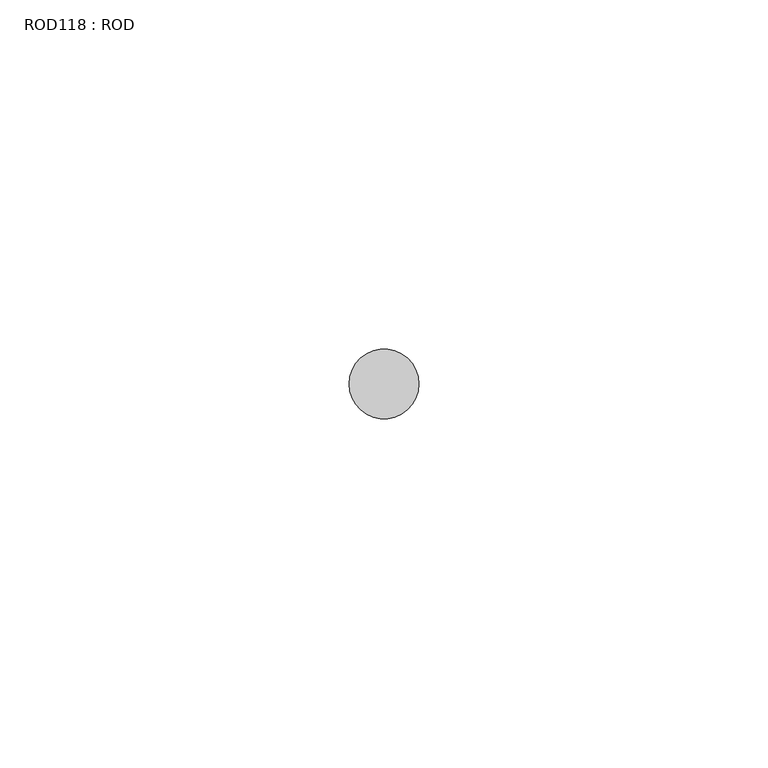
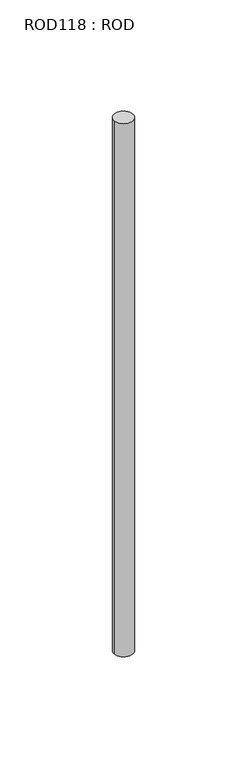
"""IFC4 building model written with IfcOpenShell, lengths in millimetres: proxy geometry, ROD118 : ROD."""

import ifcopenshell
import ifcopenshell.guid

model = None  # the IFC model being written
_history = None  # IfcOwnerHistory: only IFC2X3 demands one
_inside = {}  # id of a spatial element -> (the spatial element, [elements in it])
_under = {}  # id of a project, library or spatial element -> (it, [spatial elements below it])
_declared = {}  # id of a project -> (the project, [libraries it declares])
_typed = {}  # id of a type object -> (the type object, [elements of that type])
_made_of = {}  # id of a material, layer set ... -> (it, [elements and type objects made of it])


def new_model(schema):
    """Start an empty IFC model of exactly this schema.

    Asked for "IFC4X3", IfcOpenShell would pick the latest addendum, in which some entities
    have other attributes; the version numbers below select the first issue.
    IFC2X3 requires an IfcOwnerHistory on every rooted entity: one is made here for all.
    """
    global model, _history
    if schema == "IFC4X3":
        model = ifcopenshell.file(schema_version=(4, 3, 0, 0))
    else:
        model = ifcopenshell.file(schema=schema)
    _inside.clear()
    _under.clear()
    _declared.clear()
    _typed.clear()
    _made_of.clear()
    _history = None
    if model.schema == "IFC2X3":
        org = make("IfcOrganization", Name="unknown")
        user = make(
            "IfcPersonAndOrganization",
            ThePerson=make("IfcPerson", FamilyName="unknown"),
            TheOrganization=org,
        )
        app = make(
            "IfcApplication",
            ApplicationDeveloper=org,
            Version="unknown",
            ApplicationFullName="unknown",
            ApplicationIdentifier="unknown",
        )
        _history = make(
            "IfcOwnerHistory",
            OwningUser=user,
            OwningApplication=app,
            ChangeAction="ADDED",
            CreationDate=0,
        )
    return model


def make(cls, **values):
    """One entity of the class cls with the attributes given. An attribute that is None is left unset."""
    return model.create_entity(
        cls, **{name: value for name, value in values.items() if value is not None}
    )


def rooted(cls, **values):
    """An entity with a GlobalId (a new one), such as an element, a storey or a relation."""
    return make(cls, GlobalId=ifcopenshell.guid.new(), OwnerHistory=_history, **values)


def si_unit(unit_type, name, prefix=None):
    """IfcSIUnit, for example si_unit("LENGTHUNIT", "METRE", prefix="MILLI")."""
    return make("IfcSIUnit", UnitType=unit_type, Prefix=prefix, Name=name)


def assignment(units):
    """IfcUnitAssignment: the units of a project."""
    return None if units is None else make("IfcUnitAssignment", Units=units)


def point(xyz):
    """IfcCartesianPoint."""
    return None if xyz is None else make("IfcCartesianPoint", Coordinates=xyz)


def direction(xyz):
    """IfcDirection."""
    return None if xyz is None else make("IfcDirection", DirectionRatios=xyz)


def frame(location, z_axis=None, x_axis=None):
    """IfcAxis2Placement3D, a coordinate frame: its origin and axes. An axis left out is left unset."""
    return make(
        "IfcAxis2Placement3D",
        Location=point(location),
        Axis=direction(z_axis),
        RefDirection=direction(x_axis),
    )


def frame_2d(location, x_axis=None):
    """IfcAxis2Placement2D, a coordinate frame in the plane: its origin and x axis."""
    return make(
        "IfcAxis2Placement2D", Location=point(location), RefDirection=direction(x_axis)
    )


def origin():
    """The frame at (0, 0, 0) with its axes left unset."""
    return frame((0.0, 0.0, 0.0))


def place(relative_to, where):
    """IfcLocalPlacement: puts the frame where relative to a parent placement (None: the world)."""
    return make(
        "IfcLocalPlacement", PlacementRelTo=relative_to, RelativePlacement=where
    )


def context(
    kind, dimensions, precision=None, world=None, true_north=None, identifier=None
):
    """IfcGeometricRepresentationContext, for example the 3D "Model" context."""
    return make(
        "IfcGeometricRepresentationContext",
        ContextIdentifier=identifier,
        ContextType=kind,
        CoordinateSpaceDimension=dimensions,
        Precision=precision,
        WorldCoordinateSystem=world,
        TrueNorth=true_north,
    )


def project(units=None, contexts=None):
    """IfcProject with its units and contexts."""
    return rooted(
        "IfcProject",
        Name="project",
        RepresentationContexts=contexts,
        UnitsInContext=assignment(units),
    )


def spatial(cls, under=None, at=None, **own):
    """A site, building, storey or space (cls), placed at a placement, below another one or the project."""
    s = rooted(cls, ObjectPlacement=at, **own)
    if under is not None:
        _under.setdefault(under.id(), (under, []))[1].append(s)
    return s


def circle_curve(where, radius):
    """IfcCircle in the frame where."""
    return make("IfcCircle", Position=where, Radius=radius)


def trimmed(basis, trim1, trim2, sense, master):
    """IfcTrimmedCurve: the piece of a basis curve between two trims."""
    return make(
        "IfcTrimmedCurve",
        BasisCurve=basis,
        Trim1=trim1,
        Trim2=trim2,
        SenseAgreement=sense,
        MasterRepresentation=master,
    )


def segment(curve, same_sense, transition):
    """IfcCompositeCurveSegment."""
    return make(
        "IfcCompositeCurveSegment",
        Transition=transition,
        SameSense=same_sense,
        ParentCurve=curve,
    )


def composite_curve(segments, self_intersect=None):
    """IfcCompositeCurve: segments joined end to end."""
    return make("IfcCompositeCurve", Segments=segments, SelfIntersect=self_intersect)


def outline(outer, holes=None, kind="AREA"):
    """IfcArbitraryClosedProfileDef: a profile drawn as a closed curve; with holes, ...WithVoids."""
    if holes is None:
        return make("IfcArbitraryClosedProfileDef", ProfileType=kind, OuterCurve=outer)
    return make(
        "IfcArbitraryProfileDefWithVoids",
        ProfileType=kind,
        OuterCurve=outer,
        InnerCurves=holes,
    )


def extrude(swept, where, along, depth):
    """IfcExtrudedAreaSolid: the profile swept, set in the frame where, extruded along a direction by depth."""
    return make(
        "IfcExtrudedAreaSolid",
        SweptArea=swept,
        Position=where,
        ExtrudedDirection=direction(along),
        Depth=depth,
    )


def shape(context_of_items, identifier, shape_type, items):
    """IfcShapeRepresentation: the items that make up one representation, for example the "Body"."""
    return make(
        "IfcShapeRepresentation",
        ContextOfItems=context_of_items,
        RepresentationIdentifier=identifier,
        RepresentationType=shape_type,
        Items=items,
    )


def source(mapping_origin, context_of_items, identifier, shape_type, items):
    """IfcRepresentationMap: a shape defined once, which mapped items show again and again."""
    return make(
        "IfcRepresentationMap",
        MappingOrigin=mapping_origin,
        MappedRepresentation=shape(context_of_items, identifier, shape_type, items),
    )


def transform(
    local_origin,
    x_axis=None,
    y_axis=None,
    z_axis=None,
    scale=None,
    scale2=None,
    scale3=None,
    uniform=True,
):
    """IfcCartesianTransformationOperator3D, or its non-uniform kind. x_axis, y_axis, z_axis: its Axis1, 2, 3."""
    if uniform:
        return make(
            "IfcCartesianTransformationOperator3D",
            Axis1=direction(x_axis),
            Axis2=direction(y_axis),
            LocalOrigin=point(local_origin),
            Scale=scale,
            Axis3=direction(z_axis),
        )
    return make(
        "IfcCartesianTransformationOperator3DnonUniform",
        Axis1=direction(x_axis),
        Axis2=direction(y_axis),
        LocalOrigin=point(local_origin),
        Scale=scale,
        Axis3=direction(z_axis),
        Scale2=scale2,
        Scale3=scale3,
    )


def mapped(mapping_source, mapping_target):
    """IfcMappedItem: shows the shape of a source again, moved by a transform."""
    return make(
        "IfcMappedItem", MappingSource=mapping_source, MappingTarget=mapping_target
    )


def made_of(thing, what):
    """Note that an element or type object is made of a material, layer set ...; save() writes the relation."""
    if what is not None:
        _made_of.setdefault(what.id(), (what, []))[1].append(thing)
    return thing


def element(
    cls,
    number,
    at=None,
    inside=None,
    cuts=None,
    type_object=None,
    material=None,
    context=None,
    identifier="Body",
    shape_type=None,
    held_by="IfcProductDefinitionShape",
    body=None,
    shapes=None,
    **own,
):
    """One element of the class cls, such as IfcWall. Its Tag is "e" and its number.

    at: its placement. inside: the storey or other place that contains it. cuts: it is an
    opening in that element (IfcRelVoidsElement). A single representation is given by context,
    identifier, shape_type and body (its items); several are given by shapes. held_by: the class
    of the entity that holds the representations. save() writes the other relations.
    """
    e = rooted(cls, Tag="e%d" % number, ObjectPlacement=at, **own)
    if body is not None:
        shapes = [shape(context, identifier, shape_type, body)]
    if shapes is not None:
        e.Representation = make(held_by, Representations=shapes)
    if inside is not None:
        _inside.setdefault(inside.id(), (inside, []))[1].append(e)
    if cuts is not None:
        rooted(
            "IfcRelVoidsElement", RelatingBuildingElement=cuts, RelatedOpeningElement=e
        )
    if type_object is not None:
        _typed.setdefault(type_object.id(), (type_object, []))[1].append(e)
    return made_of(e, material)


def aggregate(whole, parts):
    """IfcRelAggregates: a whole, such as a stair, and the parts it consists of."""
    return rooted("IfcRelAggregates", RelatingObject=whole, RelatedObjects=parts)


def save(model, path):
    """Write the relations noted so far, then the file.

    IfcRelAggregates (storeys below a building ...), IfcRelContainedInSpatialStructure (elements
    in a storey), IfcRelDefinesByType, IfcRelAssociatesMaterial and IfcRelDeclares: one each for
    every whole, place, type object, material and project.
    """
    for whole, parts in _under.values():
        aggregate(whole, parts)
    for where, things in _inside.values():
        rooted(
            "IfcRelContainedInSpatialStructure",
            RelatedElements=things,
            RelatingStructure=where,
        )
    for kind, things in _typed.values():
        rooted("IfcRelDefinesByType", RelatedObjects=things, RelatingType=kind)
    for what, things in _made_of.values():
        rooted("IfcRelAssociatesMaterial", RelatedObjects=things, RelatingMaterial=what)
    for by, libraries in _declared.values():
        rooted("IfcRelDeclares", RelatingContext=by, RelatedDefinitions=libraries)
    model.write(path)


def rod118_rod_cd1e9670(model_context):
    return source(origin(), model_context, "Body", "SweptSolid", [
        extrude(outline(composite_curve([segment(trimmed(circle_curve(frame_2d((8999.7673324, -10268.1048728)), 5.0), [point((8994.7673324, -10268.1048728))], [point((9004.7673324, -10268.1048728))], False, "CARTESIAN"), True, "CONTINUOUS"), segment(trimmed(circle_curve(frame_2d((8999.7673324, -10268.1048728)), 5.0), [point((9004.7673324, -10268.1048728))], [point((8994.7673324, -10268.1048728))], False, "CARTESIAN"), True, "CONTINUOUS")], self_intersect=False)), frame((0.0, 0.0, -108.6608845), z_axis=(0.0, 0.0, 1.0), x_axis=(1.0, 0.0, 0.0)), (0.0, 0.0, 1.0), 298.9028972),
    ])


if __name__ == "__main__":
    model = new_model("IFC4")
    model_context = context("Model", 3, world=origin())
    ifc_project = project(units=[si_unit("LENGTHUNIT", "METRE", prefix="MILLI")], contexts=[model_context])
    site = spatial("IfcSite", under=ifc_project)
    building = spatial("IfcBuilding", under=site)
    placement = place(None, origin())
    rod118_rod_shape = rod118_rod_cd1e9670(model_context)
    element("IfcBuildingElementProxy", 1, Name="ROD118 : ROD", ObjectType="ROD118 : ROD", at=placement, inside=building, context=model_context, shape_type="MappedRepresentation", body=[
        mapped(rod118_rod_shape, transform((0.0, 0.0, 0.0), x_axis=(1.0, 0.0, 0.0), y_axis=(0.0, 1.0, 0.0), z_axis=(0.0, 0.0, 1.0))),
    ])
    save(model, "model.ifc")
